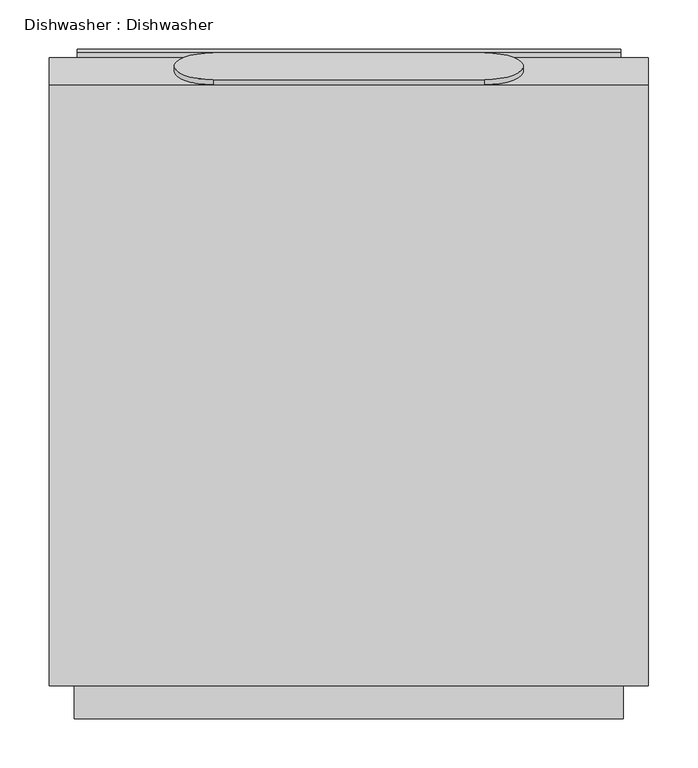
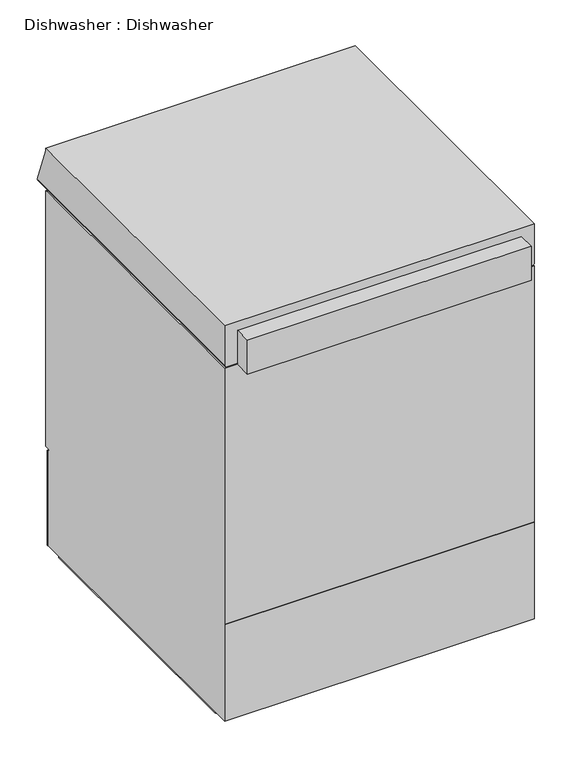
"""IFC4 building model written with IfcOpenShell, lengths in millimetres: proxy geometry, Dishwasher : Dishwasher."""

from ifc_helpers import new_model, si_unit, point, frame, frame_2d, origin, place, context, project, spatial, polyline, circle_curve, ellipse_curve, trimmed, segment, composite_curve, outline, extrude, source, transform, mapped, element, save
from ifc_brep_helpers import plane_surface, cylinder_surface, revolved_surface, advanced_brep


def dishwasher_dishwasher_de1cb94e(model_context):
    return source(origin(), model_context, "Body", "SolidModel", [
        extrude(outline(composite_curve([segment(trimmed(circle_curve(frame_2d((306.2987016, 714.1088372)), 2.7812238), [point((309.0799254, 714.1088372))], [point((306.2987016, 711.3276134))], False, "CARTESIAN"), True, "CONTINUOUS"), segment(polyline([(306.2987016, 711.3276134), (306.2987016, 712.5214606)]), True, "CONTINUOUS"), segment(trimmed(circle_curve(frame_2d((306.2987016, 714.108859)), 1.5873984), [point((306.2987016, 712.5214606))], [point((307.8861, 714.108859))], True, "CARTESIAN"), True, "CONTINUOUS"), segment(polyline([(307.8861, 714.108859), (307.8861, 731.9522064)]), True, "CONTINUOUS"), segment(trimmed(circle_curve(frame_2d((310.6801254, 731.9522064)), 2.7940254), [point((307.8861, 731.9522064))], [point((310.6801254, 734.7462318))], False, "CARTESIAN"), True, "CONTINUOUS"), segment(polyline([(310.6801254, 734.7462318), (340.0169984, 734.7462318)]), True, "CONTINUOUS"), segment(trimmed(circle_curve(frame_2d((340.0169984, 731.9522064)), 2.7940254), [point((340.0169984, 734.7462318))], [point((342.8110238, 731.9522064))], False, "CARTESIAN"), True, "CONTINUOUS"), segment(polyline([(342.8110238, 731.9522064), (342.8110238, 688.3150572)]), True, "CONTINUOUS"), segment(trimmed(circle_curve(frame_2d((341.6173381, 688.3150572)), 1.1936857), [point((342.8110238, 688.3150572))], [point((340.4236524, 688.3150572))], False, "CARTESIAN"), True, "CONTINUOUS"), segment(polyline([(340.4236524, 688.3150572), (340.4236524, 696.6462318), (341.6174778, 696.6462318), (341.6174778, 731.951927)]), True, "CONTINUOUS"), segment(trimmed(circle_curve(frame_2d((340.0169984, 731.951927)), 1.6004794), [point((341.6174778, 731.951927))], [point((340.0169984, 733.5524064))], True, "CARTESIAN"), True, "CONTINUOUS"), segment(polyline([(340.0169984, 733.5524064), (310.6801254, 733.5524064)]), True, "CONTINUOUS"), segment(trimmed(circle_curve(frame_2d((310.6801254, 731.9522064)), 1.6002), [point((310.6801254, 733.5524064))], [point((309.0799254, 731.9522064))], True, "CARTESIAN"), True, "CONTINUOUS"), segment(polyline([(309.0799254, 731.9522064), (309.0799254, 714.1088372)]), True, "CONTINUOUS")], self_intersect=False)), frame((-275.8126056, 0.0, 0.0), z_axis=(1.0, 0.0, 0.0), x_axis=(0.0, 1.0, 0.0)), (0.0, 0.0, 1.0), 551.6362348),
        extrude(outline(composite_curve([segment(polyline([(260.2605412, 0.0), (-266.790424, 0.0)]), True, "CONTINUOUS"), segment(trimmed(circle_curve(frame_2d((-266.790424, 7.937881)), 7.937881), [point((-266.790424, 0.0))], [point((-274.0655123, 4.7625))], False, "CARTESIAN"), True, "CONTINUOUS"), segment(polyline([(-274.0655123, 4.7625), (267.5356295, 4.7625)]), True, "CONTINUOUS"), segment(trimmed(circle_curve(frame_2d((260.2605412, 7.937881)), 7.937881), [point((267.5356295, 4.7625))], [point((260.2605412, 0.0))], False, "CARTESIAN"), True, "CONTINUOUS")], self_intersect=False)), frame((-302.7987086, 0.0, 0.0), z_axis=(1.0, 0.0, 0.0), x_axis=(0.0, 1.0, 0.0)), (0.0, 0.0, 1.0), 26.1611872),
        extrude(outline(composite_curve([segment(polyline([(260.2605412, 0.0), (-266.790424, 0.0)]), True, "CONTINUOUS"), segment(trimmed(circle_curve(frame_2d((-266.790424, 7.937881)), 7.937881), [point((-266.790424, 0.0))], [point((-274.0655123, 4.7625))], False, "CARTESIAN"), True, "CONTINUOUS"), segment(polyline([(-274.0655123, 4.7625), (267.5356295, 4.7625)]), True, "CONTINUOUS"), segment(trimmed(circle_curve(frame_2d((260.2605412, 7.937881)), 7.937881), [point((267.5356295, 4.7625))], [point((260.2605412, 0.0))], False, "CARTESIAN"), True, "CONTINUOUS")], self_intersect=False)), frame((276.6375214, 0.0, 0.0), z_axis=(1.0, 0.0, 0.0), x_axis=(0.0, 1.0, 0.0)), (0.0, 0.0, 1.0), 26.1611872),
        extrude(outline(composite_curve([segment(trimmed(circle_curve(frame_2d((137.4666791, 8.8758189)), 39.6801052), [point((137.4666791, 48.5559241))], [point((137.4666791, -30.8042864))], False, "CARTESIAN"), True, "CONTINUOUS"), segment(polyline([(137.4666791, -30.8042864), (-137.4666791, -30.8042864)]), True, "CONTINUOUS"), segment(trimmed(circle_curve(frame_2d((-137.4666791, 8.8758189)), 39.6801052), [point((-137.4666791, -30.8042864))], [point((-137.4666791, 48.5559241))], False, "CARTESIAN"), True, "CONTINUOUS"), segment(polyline([(-137.4666791, 48.5559241), (137.4666791, 48.5559241)]), True, "CONTINUOUS")], self_intersect=False)), frame((0.0, 317.3980195, 789.2209938), z_axis=(0.0, 0.9396926207859075, 0.3420201433256714), x_axis=(1.0, 0.0, 0.0)), (0.0, 0.0, 1.0), 5.4860486),
        extrude(outline(polyline([(-303.3017302, 739.7244032), (293.5986, 739.7244032), (293.5986, 738.2253714), (-303.3014254, 738.2253714), (-303.3014254, 736.7272032), (-336.55, 736.7272032), (-336.55, 807.3647556), (-303.3017302, 807.3647556), (-303.3017302, 739.7244032)])), frame((-278.60625, 0.0, 0.0), z_axis=(1.0, 0.0, 0.0), x_axis=(0.0, 1.0, 0.0)), (0.0, 0.0, 1.0), 557.2125),
        advanced_brep(
        [(304.00625, -303.3017302, 825.5), (304.00625, -303.3017302, 743.5933502), (304.00625, 334.0051236, 743.5933502), (304.00625, 306.2987016, 819.7161191), (304.00625, 306.2987016, 825.5), (-304.00625, 334.0051236, 743.5933502), (-304.00625, -303.3017302, 743.5933502), (-304.00625, -303.3017302, 825.5), (-304.00625, 306.2987016, 825.5), (-304.00625, 306.2987016, 819.7161191), (-300.1367188, -303.3017302, 739.723819), (300.1367188, -303.3017302, 739.723819), (-300.1367188, 330.1355923, 739.723819), (300.1367188, 330.1355923, 739.723819)],
        [
            (0, 1),
            (1, 2),
            (2, 3),
            (3, 4),
            (4, 0),
            (5, 6),
            (6, 7),
            (7, 8),
            (8, 9),
            (9, 5),
            (6, 10, circle_curve(frame((-300.1367188, -303.3017302, 743.5933502), z_axis=(0.0, -1.0, 0.0), x_axis=(-1.0, 0.0, 0.0)), 3.8695312)),
            (10, 11),
            (11, 1, circle_curve(frame((300.1367188, -303.3017302, 743.5933502), z_axis=(0.0, -1.0, 0.0), x_axis=(1.0, 0.0, 0.0)), 3.8695312)),
            (0, 7),
            (4, 8),
            (3, 9),
            (2, 5),
            (10, 12),
            (12, 13),
            (13, 11),
            (13, 2, ellipse_curve(frame((300.1367188, 330.1355923, 743.5933502), z_axis=(0.7071067811865492, -0.7071067811865458, 0.0), x_axis=(0.7071067811865457, 0.7071067811865492, 0.0)), 5.4723436, 3.8695312)),
            (12, 5, ellipse_curve(frame((-300.1367188, 330.1355923, 743.5933502), z_axis=(0.7071067811865456, 0.7071067811865493, 0.0), x_axis=(-0.7071067811865495, 0.7071067811865455, 0.0)), 5.4723436, 3.8695312)),
        ],
        [
            plane_surface(frame((304.00625, -303.3017302, 825.5), z_axis=(1.0, 0.0, 0.0), x_axis=(0.0, 0.0, 1.0))),
            plane_surface(frame((-304.00625, -303.3017302, 825.5), z_axis=(-1.0, 0.0, 0.0), x_axis=(0.0, 0.0, -1.0))),
            plane_surface(frame((304.00625, -303.3017302, 739.723819), z_axis=(0.0, -1.0, 0.0), x_axis=(-1.0, 0.0, 0.0))),
            plane_surface(frame((304.00625, -303.3017302, 825.5), z_axis=(0.0, 0.0, 1.0), x_axis=(-1.0, 0.0, 0.0))),
            plane_surface(frame((304.00625, 306.2987016, 825.5), z_axis=(0.0, 1.0, 0.0), x_axis=(-1.0, 0.0, 0.0))),
            plane_surface(frame((304.00625, 306.2987016, 819.7161191), z_axis=(0.0, 0.9396926207859084, 0.34202014332566893), x_axis=(-1.0, 0.0, 0.0))),
            plane_surface(frame((304.00625, 334.0051236, 739.723819), z_axis=(0.0, 0.0, -1.0), x_axis=(-1.0, 0.0, 0.0))),
            cylinder_surface(frame((300.1367188, -303.3017302, 743.5933502), z_axis=(0.0, 1.0, 0.0), x_axis=(1.0, 0.0, 0.0)), 3.8695312),
            cylinder_surface(frame((304.00625, 330.1355923, 743.5933502), z_axis=(-1.0, 0.0, 0.0), x_axis=(0.0, 1.0, 0.0)), 3.8695312),
            cylinder_surface(frame((-300.1367188, 334.0051236, 743.5933502), z_axis=(0.0, -1.0, 0.0), x_axis=(-1.0, 0.0, 0.0)), 3.8695312),
        ],
        [
            (0, [[1, 2, 3, 4, 5]]),
            (1, [[6, 7, 8, 9, 10]]),
            (2, [[-7, 11, 12, 13, -1, 14]]),
            (3, [[15, -8, -14, -5]]),
            (4, [[16, -9, -15, -4]]),
            (5, [[17, -10, -16, -3]]),
            (6, [[18, 19, 20, -12]]),
            (7, [[-2, -13, -20, 21]]),
            (8, [[-19, 22, -17, -21]]),
            (9, [[-18, -11, -6, -22]]),
        ],
    ),
        advanced_brep(
        [(304.00625, 295.275254, 204.8889984), (304.00625, 295.275254, 206.3877508), (304.00625, 306.2987016, 206.3877508), (304.00625, 306.2987016, 734.3386888), (304.00625, 302.412019, 738.2253714), (304.00625, -303.3014254, 738.2253714), (304.00625, -303.3014254, 206.3877508), (304.00625, -301.8029778, 206.3877508), (304.00625, -301.8029778, 204.8889984), (304.00625, -303.3014254, 204.8889984), (304.00625, -303.3014254, 4.7625), (304.00625, 296.7737016, 4.7625), (304.00625, 296.7737016, 200.9952038), (304.00625, 297.6858697, 200.9153994), (304.00625, 299.5929115, 199.6566391), (304.00625, 298.3713181, 199.6566391), (304.00625, 298.3713181, 5.4833774), (304.00625, 301.3711016, 5.4833774), (304.00625, 301.3711016, 199.6567508), (304.00625, 297.6961928, 202.4188875), (304.00625, 296.7737016, 202.499595), (304.00625, 296.7737016, 204.8889984), (-304.00625, 295.275254, 204.8889984), (-304.00625, 296.7737016, 204.8889984), (-304.00625, 296.7737016, 202.499595), (-304.00625, 297.6961928, 202.4188875), (-304.00625, 301.3711016, 199.6567508), (-304.00625, 301.3711016, 5.4833774), (-304.00625, 298.374054, 5.4833774), (-304.00625, 298.3713181, 199.6566391), (-304.00625, 299.5929115, 199.6566391), (-304.00625, 297.6858697, 200.9153994), (-304.00625, 296.7737016, 200.9952038), (-304.00625, 296.7737016, 4.7625), (-304.00625, -303.3014254, 4.7625), (-304.00625, -303.3014254, 204.8889984), (-304.00625, -301.8029778, 204.8889984), (-304.00625, -301.8029778, 206.3877508), (-304.00625, -303.3014254, 206.3877508), (-304.00625, -303.3014254, 738.2253714), (-304.00625, 302.412019, 738.2253714), (-304.00625, 306.2987016, 734.3386888), (-304.00625, 306.2987016, 206.3877508), (-304.00625, 295.275254, 206.3877508)],
        [
            (0, 1),
            (1, 2),
            (2, 3),
            (3, 4, circle_curve(frame((304.00625, 302.412019, 734.3386888), z_axis=(1.0, 0.0, 0.0), x_axis=(0.0, -1.0, 0.0)), 3.8866826)),
            (4, 5),
            (5, 6),
            (6, 7),
            (7, 8),
            (8, 9),
            (9, 10),
            (10, 11),
            (11, 12),
            (12, 13),
            (13, 14, circle_curve(frame((304.00625, 297.4766945, 198.5245162), z_axis=(-1.0, 0.0, 0.0), x_axis=(0.0, -1.0, 0.0)), 2.400016)),
            (14, 15),
            (15, 16),
            (16, 17, circle_curve(frame((304.00625, 299.8725778, 5.4833774), z_axis=(1.0, 0.0, 0.0), x_axis=(0.0, -1.0, 0.0)), 1.4985238)),
            (17, 18),
            (18, 19, circle_curve(frame((304.00625, 297.3173929, 198.0891843), z_axis=(1.0, 0.0, 0.0), x_axis=(0.0, -1.0, 0.0)), 4.346242)),
            (19, 20),
            (20, 21),
            (21, 0),
            (22, 23),
            (23, 24),
            (24, 25),
            (25, 26, circle_curve(frame((-304.00625, 297.3173929, 198.0891843), z_axis=(-1.0, 0.0, 0.0), x_axis=(0.0, -1.0, 0.0)), 4.346242)),
            (26, 27),
            (27, 28, circle_curve(frame((-304.00625, 299.8725778, 5.4833774), z_axis=(-1.0, 0.0, 0.0), x_axis=(0.0, -1.0, 0.0)), 1.4985238)),
            (28, 29),
            (29, 30),
            (30, 31, circle_curve(frame((-304.00625, 297.4766945, 198.5245162), z_axis=(1.0, 0.0, 0.0), x_axis=(0.0, -1.0, 0.0)), 2.400016)),
            (31, 32),
            (32, 33),
            (33, 34),
            (34, 35),
            (35, 36),
            (36, 37),
            (37, 38),
            (38, 39),
            (39, 40),
            (40, 41, circle_curve(frame((-304.00625, 302.412019, 734.3386888), z_axis=(-1.0, 0.0, 0.0), x_axis=(0.0, -1.0, 0.0)), 3.8866826)),
            (41, 42),
            (42, 43),
            (43, 22),
            (21, 23),
            (22, 0),
            (20, 24),
            (19, 25),
            (18, 26),
            (17, 27),
            (16, 28),
            (15, 29),
            (14, 30),
            (13, 31),
            (12, 32),
            (11, 33),
            (10, 34),
            (9, 35),
            (8, 36),
            (7, 37),
            (6, 38),
            (5, 39),
            (4, 40),
            (3, 41),
            (2, 42),
            (1, 43),
        ],
        [
            plane_surface(frame((304.00625, 295.275254, 204.8889984), z_axis=(1.0, 0.0, 0.0), x_axis=(0.0, 1.0, 0.0))),
            plane_surface(frame((-304.00625, 295.275254, 204.8889984), z_axis=(-1.0, 0.0, 0.0), x_axis=(0.0, -1.0, 0.0))),
            plane_surface(frame((304.00625, 295.275254, 204.8889984), z_axis=(0.0, 0.0, 1.0), x_axis=(-1.0, 0.0, 0.0))),
            plane_surface(frame((304.00625, 296.7737016, 204.8889984), z_axis=(0.0, 1.0, 0.0), x_axis=(-1.0, 0.0, 0.0))),
            plane_surface(frame((304.00625, 296.7737016, 202.499595), z_axis=(0.0, 0.08715574274767886, 0.9961946980917438), x_axis=(-1.0, 0.0, 0.0))),
            cylinder_surface(frame((-304.00625, 297.3173929, 198.0891843), z_axis=(1.0, 0.0, 0.0), x_axis=(0.0, -1.0, 0.0)), 4.346242),
            plane_surface(frame((304.00625, 301.3711016, 199.6567508), z_axis=(0.0, 1.0, 0.0), x_axis=(-1.0, 0.0, 0.0))),
            cylinder_surface(frame((-304.00625, 299.8725778, 5.4833774), z_axis=(1.0, 0.0, 0.0), x_axis=(0.0, -1.0, 0.0)), 1.4985238),
            plane_surface(frame((304.00625, 298.3713181, 5.4833774), z_axis=(0.0, -1.0, 0.0), x_axis=(-1.0, 0.0, 0.0))),
            plane_surface(frame((304.00625, 298.3713181, 199.6566391), z_axis=(0.0, 0.0, 1.0), x_axis=(-1.0, 0.0, 0.0))),
            revolved_surface(polyline([(-304.00625, 295.0766785, 198.5245162), (304.00625, 295.0766785, 198.5245162)]), (-304.00625, 297.4766945, 198.5245162), (-1.0, 0.0, 0.0)),
            plane_surface(frame((304.00625, 297.6858697, 200.9153994), z_axis=(0.0, -0.08715574274765384, -0.996194698091746), x_axis=(-1.0, 0.0, 0.0))),
            plane_surface(frame((304.00625, 296.7737016, 200.9952038), z_axis=(0.0, 1.0, 0.0), x_axis=(-1.0, 0.0, 0.0))),
            plane_surface(frame((304.00625, 296.7737016, 4.7625), z_axis=(0.0, 0.0, -1.0), x_axis=(-1.0, 0.0, 0.0))),
            plane_surface(frame((304.00625, -303.3014254, 4.7625), z_axis=(0.0, -1.0, 0.0), x_axis=(-1.0, 0.0, 0.0))),
            plane_surface(frame((304.00625, -303.3014254, 204.8889984), z_axis=(0.0, 0.0, 1.0), x_axis=(-1.0, 0.0, 0.0))),
            plane_surface(frame((304.00625, -301.8029778, 204.8889984), z_axis=(0.0, -1.0, 0.0), x_axis=(-1.0, 0.0, 0.0))),
            plane_surface(frame((304.00625, -301.8029778, 206.3877508), z_axis=(0.0, 0.0, -1.0), x_axis=(-1.0, 0.0, 0.0))),
            plane_surface(frame((304.00625, -303.3014254, 206.3877508), z_axis=(0.0, -1.0, 0.0), x_axis=(-1.0, 0.0, 0.0))),
            plane_surface(frame((304.00625, -303.3014254, 738.2253714), z_axis=(0.0, 0.0, 1.0), x_axis=(-1.0, 0.0, 0.0))),
            cylinder_surface(frame((-304.00625, 302.412019, 734.3386888), z_axis=(1.0, 0.0, 0.0), x_axis=(0.0, -1.0, 0.0)), 3.8866826),
            plane_surface(frame((304.00625, 306.2987016, 734.3386888), z_axis=(0.0, 1.0, 0.0), x_axis=(-1.0, 0.0, 0.0))),
            plane_surface(frame((304.00625, 306.2987016, 206.3877508), z_axis=(0.0, 0.0, -1.0), x_axis=(-1.0, 0.0, 0.0))),
            plane_surface(frame((304.00625, 295.275254, 206.3877508), z_axis=(0.0, 1.0, 0.0), x_axis=(-1.0, 0.0, 0.0))),
        ],
        [
            (0, [[1, 2, 3, 4, 5, 6, 7, 8, 9, 10, 11, 12, 13, 14, 15, 16, 17, 18, 19, 20, 21, 22]]),
            (1, [[23, 24, 25, 26, 27, 28, 29, 30, 31, 32, 33, 34, 35, 36, 37, 38, 39, 40, 41, 42, 43, 44]]),
            (2, [[45, -23, 46, -22]]),
            (3, [[47, -24, -45, -21]]),
            (4, [[48, -25, -47, -20]]),
            (5, [[49, -26, -48, -19]]),
            (6, [[50, -27, -49, -18]]),
            (7, [[51, -28, -50, -17]]),
            (8, [[52, -29, -51, -16]]),
            (9, [[53, -30, -52, -15]]),
            (10, [[54, -31, -53, -14]]),
            (11, [[55, -32, -54, -13]]),
            (12, [[56, -33, -55, -12]]),
            (13, [[57, -34, -56, -11]]),
            (14, [[58, -35, -57, -10]]),
            (15, [[59, -36, -58, -9]]),
            (16, [[60, -37, -59, -8]]),
            (17, [[61, -38, -60, -7]]),
            (18, [[62, -39, -61, -6]]),
            (19, [[63, -40, -62, -5]]),
            (20, [[64, -41, -63, -4]]),
            (21, [[65, -42, -64, -3]]),
            (22, [[66, -43, -65, -2]]),
            (23, [[-46, -44, -66, -1]]),
        ],
    ),
    ])


if __name__ == "__main__":
    model = new_model("IFC4")
    model_context = context("Model", 3, world=origin())
    ifc_project = project(units=[si_unit("LENGTHUNIT", "METRE", prefix="MILLI")], contexts=[model_context])
    site = spatial("IfcSite", under=ifc_project)
    building = spatial("IfcBuilding", under=site)
    placement = place(None, origin())
    dishwasher_dishwasher_shape = dishwasher_dishwasher_de1cb94e(model_context)
    element("IfcBuildingElementProxy", 1, Name="Dishwasher : Dishwasher", ObjectType="Dishwasher : Dishwasher", at=placement, inside=building, context=model_context, shape_type="MappedRepresentation", body=[
        mapped(dishwasher_dishwasher_shape, transform((0.0, 0.0, 0.0), x_axis=(1.0, 0.0, 0.0), y_axis=(0.0, 1.0, 0.0), z_axis=(0.0, 0.0, 1.0))),
    ])
    save(model, "model.ifc")
